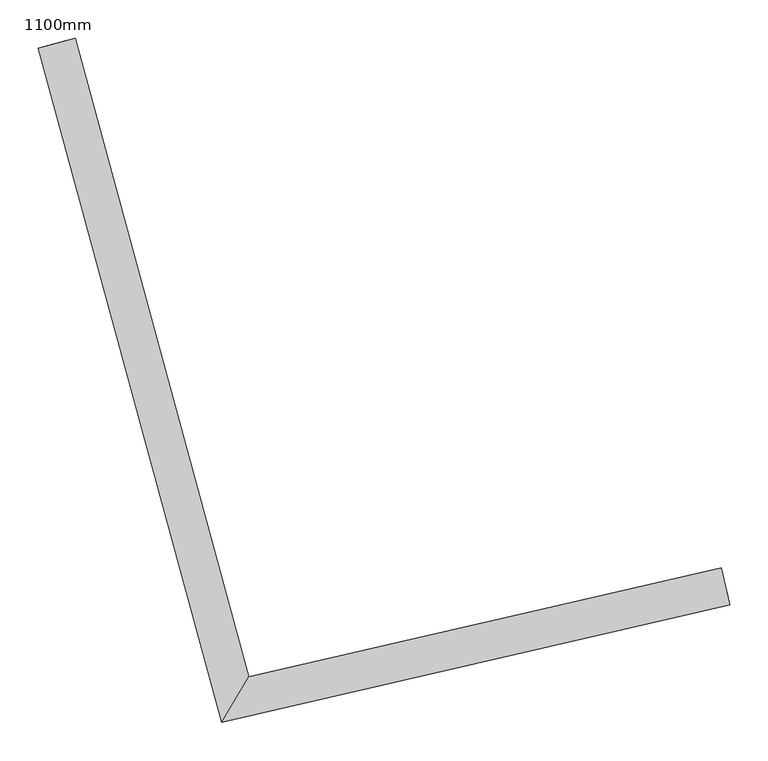
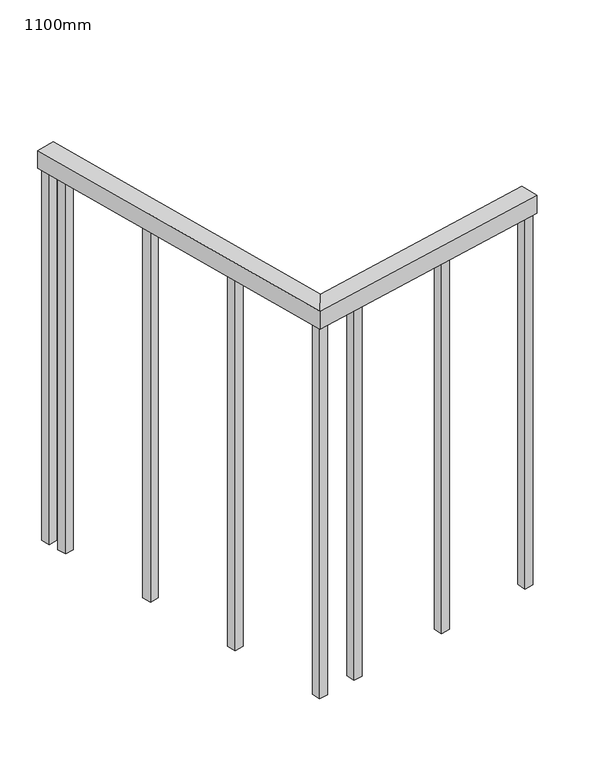
"""IFC4 building model written with IfcOpenShell, lengths in millimetres: railing geometry, 1100mm."""

from ifc_helpers import new_model, si_unit, frame, origin, place, context, project, spatial, polyline, outline, extrude, faceted_brep, source, transform, mapped, element, save


def railing_1100mm_851d0f79(model_context):
    return source(origin(), model_context, "Body", "SolidModel", [
        faceted_brep([(141712.9444502, -86017.5204457, 1700.0), (141724.192003, -86066.2389489, 1700.0), (141724.192003, -86066.2389489, 1650.0), (141712.9444502, -86017.5204457, 1650.0), (141094.7977052, -86160.2308666, 1700.0), (141059.1672397, -86219.7720131, 1700.0), (141059.1672397, -86219.7720131, 1650.0), (141094.7977052, -86160.2308666, 1650.0), (140867.5010163, -85323.9814069, 1700.0), (140867.5010163, -85323.9814069, 1650.0), (140819.2515456, -85337.0958488, 1650.0), (140819.2515456, -85337.0958488, 1700.0)], [[[0, 1, 2, 3]], [[1, 0, 4, 5]], [[2, 1, 5, 6]], [[3, 2, 6, 7]], [[0, 3, 7, 4]], [[8, 9, 10, 11]], [[5, 4, 8, 11]], [[6, 5, 11, 10]], [[7, 6, 10, 9]], [[4, 7, 9, 8]]]),
        extrude(outline(polyline([(140875.93516, -85402.6689318), (140851.8104247, -85409.2261528), (140845.2532037, -85385.1014174), (140869.3779391, -85378.5441965), (140875.93516, -85402.6689318)])), frame((0.0, 0.0, 600.0), z_axis=(0.0, 0.0, 1.0), x_axis=(1.0, 0.0, 0.0)), (0.0, 0.0, 1.0), 1050.0),
        extrude(outline(polyline([(140948.0645902, -85668.0410202), (140923.9398549, -85674.5982412), (140917.3826339, -85650.4735058), (140941.5073692, -85643.9162849), (140948.0645902, -85668.0410202)])), frame((0.0, 0.0, 600.0), z_axis=(0.0, 0.0, 1.0), x_axis=(1.0, 0.0, 0.0)), (0.0, 0.0, 1.0), 1050.0),
        extrude(outline(polyline([(141020.1940204, -85933.4131086), (140996.069285, -85939.9703296), (140989.5120641, -85915.8455942), (141013.6367994, -85909.2883733), (141020.1940204, -85933.4131086)])), frame((0.0, 0.0, 600.0), z_axis=(0.0, 0.0, 1.0), x_axis=(1.0, 0.0, 0.0)), (0.0, 0.0, 1.0), 1050.0),
        extrude(outline(polyline([(141192.0324286, -86150.6112632), (141197.656205, -86174.9705148), (141173.2969533, -86180.5942912), (141167.673177, -86156.2350396), (141192.0324286, -86150.6112632)])), frame((0.0, 0.0, 600.0), z_axis=(0.0, 0.0, 1.0), x_axis=(1.0, 0.0, 0.0)), (0.0, 0.0, 1.0), 1050.0),
        extrude(outline(polyline([(141459.9841964, -86088.7497233), (141465.6079728, -86113.1089749), (141441.2487212, -86118.7327512), (141435.6249448, -86094.3734996), (141459.9841964, -86088.7497233)])), frame((0.0, 0.0, 600.0), z_axis=(0.0, 0.0, 1.0), x_axis=(1.0, 0.0, 0.0)), (0.0, 0.0, 1.0), 1050.0),
        extrude(outline(polyline([(141086.3502101, -86175.0099258), (141091.9739864, -86199.3691775), (141067.6147348, -86204.9929538), (141061.9909584, -86180.6337022), (141086.3502101, -86175.0099258)])), frame((0.0, 0.0, 600.0), z_axis=(0.0, 0.0, 1.0), x_axis=(1.0, 0.0, 0.0)), (0.0, 0.0, 1.0), 1050.0),
        extrude(outline(polyline([(140861.9958695, -85351.3847527), (140837.8711342, -85357.9419736), (140831.3139133, -85333.8172383), (140855.4386486, -85327.2600174), (140861.9958695, -85351.3847527)])), frame((0.0, 0.0, 600.0), z_axis=(0.0, 0.0, 1.0), x_axis=(1.0, 0.0, 0.0)), (0.0, 0.0, 1.0), 1050.0),
        extrude(outline(polyline([(141715.7563384, -86029.7000715), (141721.3801148, -86054.0593231), (141697.0208632, -86059.6830995), (141691.3970868, -86035.3238479), (141715.7563384, -86029.7000715)])), frame((0.0, 0.0, 600.0), z_axis=(0.0, 0.0, 1.0), x_axis=(1.0, 0.0, 0.0)), (0.0, 0.0, 1.0), 1050.0),
    ])


if __name__ == "__main__":
    model = new_model("IFC4")
    model_context = context("Model", 3, world=origin())
    ifc_project = project(units=[si_unit("LENGTHUNIT", "METRE", prefix="MILLI")], contexts=[model_context])
    site = spatial("IfcSite", under=ifc_project)
    building = spatial("IfcBuilding", under=site)
    placement = place(None, origin())
    railing_1100mm_shape = railing_1100mm_851d0f79(model_context)
    element("IfcRailing", 1, ObjectType="1100mm", at=placement, inside=building, context=model_context, shape_type="MappedRepresentation", body=[
        mapped(railing_1100mm_shape, transform((0.0, 0.0, 0.0), x_axis=(1.0, 0.0, 0.0), y_axis=(0.0, 1.0, 0.0), z_axis=(0.0, 0.0, 1.0))),
    ])
    save(model, "model.ifc")
